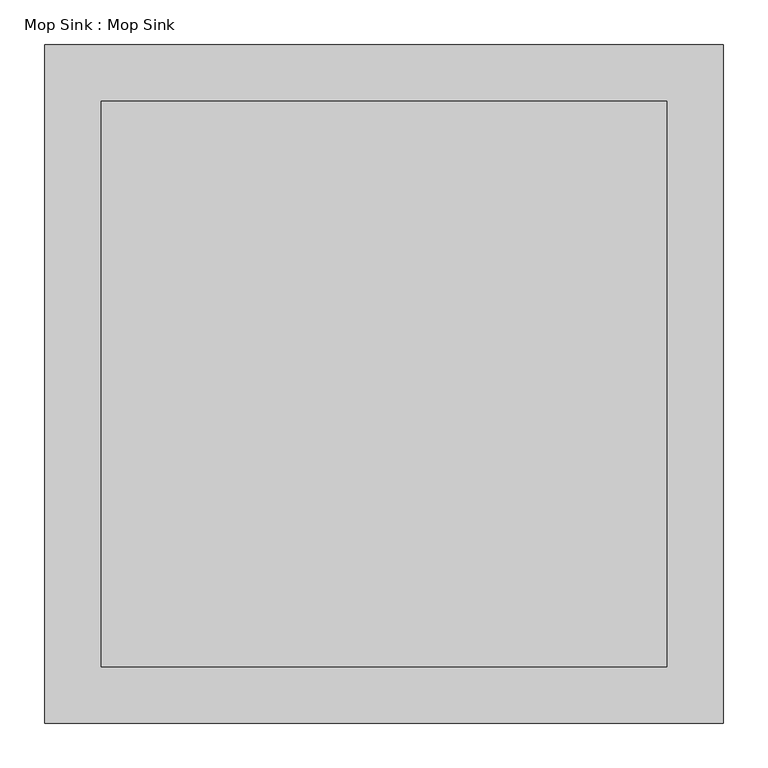
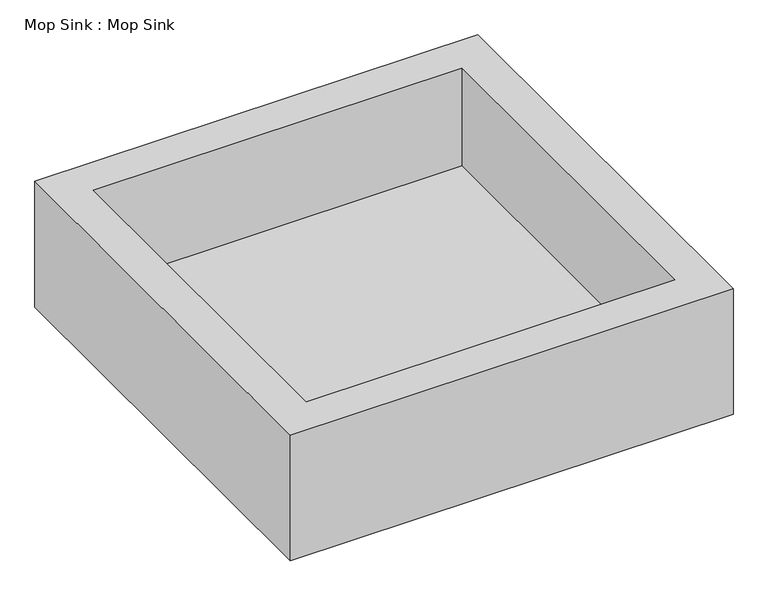
"""IFC4 building model written with IfcOpenShell, lengths in millimetres: flow terminal geometry, Mop Sink : Mop Sink."""

from ifc_helpers import new_model, si_unit, origin, origin_with_axes, place, context, project, spatial, polyline, outline, extrude, source, transform, mapped, element, save


def mop_sink_mop_sink_38a1b79e(model_context):
    return source(origin(), model_context, "Body", "SweptSolid", [
        extrude(outline(polyline([(393.7, -63.5), (393.7, -698.5), (-241.3, -698.5), (-241.3, -63.5), (393.7, -63.5)])), origin_with_axes(), (0.0, 0.0, 1.0), 50.8),
        extrude(outline(polyline([(457.2, 0.0), (457.2, -762.0), (-304.8, -762.0), (-304.8, 0.0), (457.2, 0.0)]), holes=[polyline([(-241.3, -63.5), (-241.3, -698.5), (393.7, -698.5), (393.7, -63.5), (-241.3, -63.5)])]), origin_with_axes(), (0.0, 0.0, 1.0), 228.6),
    ])


if __name__ == "__main__":
    model = new_model("IFC4")
    model_context = context("Model", 3, world=origin())
    ifc_project = project(units=[si_unit("LENGTHUNIT", "METRE", prefix="MILLI")], contexts=[model_context])
    site = spatial("IfcSite", under=ifc_project)
    building = spatial("IfcBuilding", under=site)
    placement = place(None, origin())
    mop_sink_mop_sink_shape = mop_sink_mop_sink_38a1b79e(model_context)
    element("IfcFlowTerminal", 1, ObjectType="Mop Sink : Mop Sink", at=placement, inside=building, context=model_context, shape_type="MappedRepresentation", body=[
        mapped(mop_sink_mop_sink_shape, transform((0.0, 0.0, 0.0), x_axis=(1.0, 0.0, 0.0), y_axis=(0.0, 1.0, 0.0), z_axis=(0.0, 0.0, 1.0))),
    ])
    save(model, "model.ifc")
